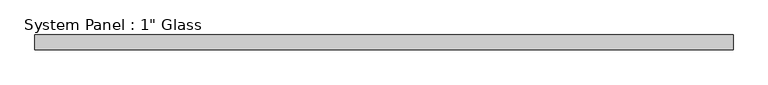
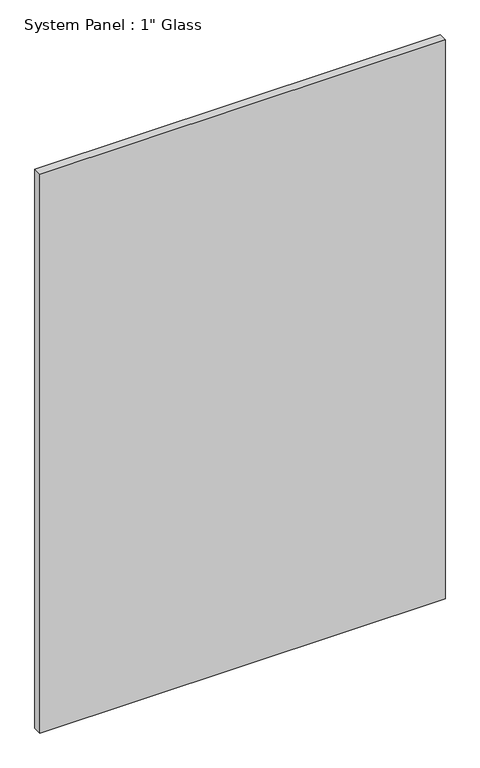
"""IFC4 building model written with IfcOpenShell, lengths in millimetres: plate geometry."""

from ifc_helpers import new_model, si_unit, origin, origin_with_axes, place, context, project, spatial, polyline, outline, extrude, source, transform, mapped, element, save


def plate_e25397e8(model_context):
    return source(origin(), model_context, "Body", "SweptSolid", [
        extrude(outline(polyline([(596.3986944, -12.7), (-596.3986944, -12.7), (-596.3986944, 12.7), (596.3986944, 12.7), (596.3986944, -12.7)])), origin_with_axes(), (0.0, 0.0, 1.0), 1739.9),
    ])


if __name__ == "__main__":
    model = new_model("IFC4")
    model_context = context("Model", 3, world=origin())
    ifc_project = project(units=[si_unit("LENGTHUNIT", "METRE", prefix="MILLI")], contexts=[model_context])
    site = spatial("IfcSite", under=ifc_project)
    building = spatial("IfcBuilding", under=site)
    placement = place(None, origin())
    plate_shape = plate_e25397e8(model_context)
    element("IfcPlate", 1, ObjectType="System Panel : 1\" Glass", at=placement, inside=building, context=model_context, shape_type="MappedRepresentation", body=[
        mapped(plate_shape, transform((0.0, 0.0, 0.0), x_axis=(1.0, 0.0, 0.0), y_axis=(0.0, 1.0, 0.0), z_axis=(0.0, 0.0, 1.0))),
    ])
    save(model, "model.ifc")
